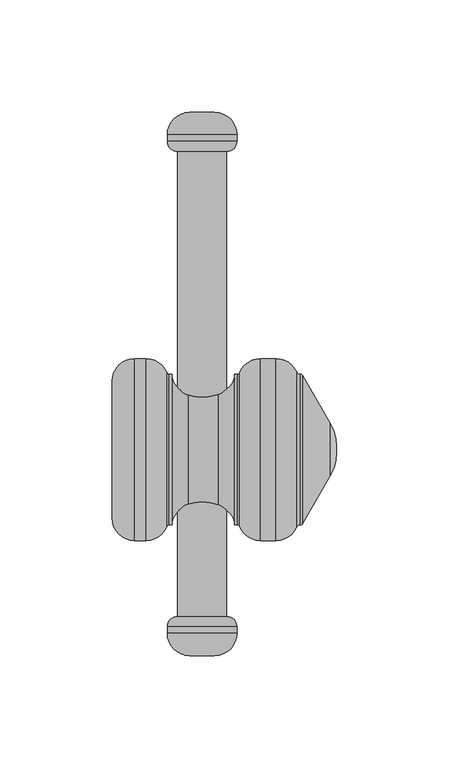
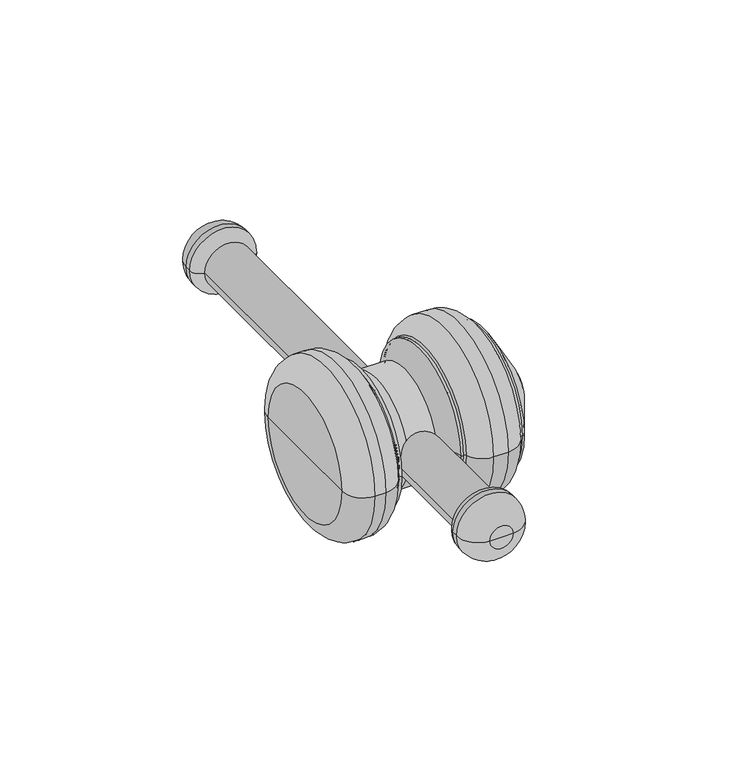
"""IFC4 building model written with IfcOpenShell, lengths in millimetres: furniture geometry."""

from ifc_helpers import new_model, si_unit, point, frame, origin, place, context, project, spatial, polyline, circle_curve, ellipse_curve, trimmed, source, transform, mapped, element, save
from ifc_brep_helpers import plane_surface, cylinder_surface, revolved_surface, advanced_brep


def furniture_befa15c4(model_context):
    return source(origin(), model_context, "Body", "AdvancedBrep", [
        advanced_brep(
        [(569.6029296, -202.5, 845.5), (580.6029296, -202.5, 845.5), (575.1029296, -202.5, 845.5), (559.6029296, -192.5, 845.5), (590.6029296, -192.5, 845.5), (559.6029296, -189.5191037, 845.5), (590.6029296, -189.5191037, 845.5), (564.1220333, -185.0, 845.5), (586.0838258, -185.0, 845.5), (564.1220333, 22.0, 845.5), (586.0838258, 22.0, 845.5), (559.6029296, 26.5191037, 845.5), (590.6029296, 26.5191037, 845.5), (559.6029296, 29.5, 845.5), (590.6029296, 29.5, 845.5), (569.6029296, 39.5, 845.5), (580.6029296, 39.5, 845.5), (575.1029296, 39.5, 845.5)],
        [
            (0, 1, circle_curve(frame((575.1029296, -202.5, 845.5), z_axis=(0.0, -1.0, 0.0), x_axis=(1.0000000000000002, 0.0, 0.0)), 5.5)),
            (1, 2),
            (2, 0),
            (1, 0, circle_curve(frame((575.1029296, -202.5, 845.5), z_axis=(0.0, -1.0, 0.0), x_axis=(1.0000000000000002, 0.0, 0.0)), 5.5)),
            (3, 4, circle_curve(frame((575.1029296, -192.5, 845.5), z_axis=(0.0, -1.0, 0.0), x_axis=(1.0000000000000002, 0.0, 0.0)), 15.5)),
            (4, 1, circle_curve(frame((580.6029296, -192.5, 845.5), z_axis=(0.0, 0.0, -1.0), x_axis=(0.0, 1.0000000000000002, 0.0)), 10.0)),
            (0, 3, circle_curve(frame((569.6029296, -192.5, 845.5), z_axis=(0.0, 0.0, -1.0), x_axis=(0.0, 1.0000000000000002, 0.0)), 10.0)),
            (4, 3, circle_curve(frame((575.1029296, -192.5, 845.5), z_axis=(0.0, -1.0, 0.0), x_axis=(1.0000000000000002, 0.0, 0.0)), 15.5)),
            (5, 6, circle_curve(frame((575.1029296, -189.5191037, 845.5), z_axis=(0.0, -1.0, 0.0), x_axis=(1.0000000000000002, 0.0, 0.0)), 15.5)),
            (6, 4),
            (3, 5),
            (6, 5, circle_curve(frame((575.1029296, -189.5191037, 845.5), z_axis=(0.0, -1.0, 0.0), x_axis=(1.0000000000000002, 0.0, 0.0)), 15.5)),
            (7, 8, circle_curve(frame((575.1029296, -185.0, 845.5), z_axis=(0.0, -1.0, 0.0), x_axis=(1.0000000000000002, 0.0, 0.0)), 10.9808963)),
            (8, 6, circle_curve(frame((586.0838258, -189.5191037, 845.5), z_axis=(0.0, 0.0, -1.0), x_axis=(0.0, 1.0000000000000002, 0.0)), 4.5191037)),
            (5, 7, circle_curve(frame((564.1220333, -189.5191037, 845.5), z_axis=(0.0, 0.0, -1.0), x_axis=(0.0, 1.0000000000000002, 0.0)), 4.5191037)),
            (8, 7, circle_curve(frame((575.1029296, -185.0, 845.5), z_axis=(0.0, -1.0, 0.0), x_axis=(1.0000000000000002, 0.0, 0.0)), 10.9808963)),
            (9, 10, circle_curve(frame((575.1029296, 22.0, 845.5), z_axis=(0.0, -1.0, 0.0), x_axis=(1.0000000000000002, 0.0, 0.0)), 10.9808963)),
            (10, 8),
            (7, 9),
            (10, 9, circle_curve(frame((575.1029296, 22.0, 845.5), z_axis=(0.0, -1.0, 0.0), x_axis=(1.0000000000000002, 0.0, 0.0)), 10.9808963)),
            (11, 12, circle_curve(frame((575.1029296, 26.5191037, 845.5), z_axis=(0.0, -1.0, 0.0), x_axis=(1.0000000000000002, 0.0, 0.0)), 15.5)),
            (12, 10, circle_curve(frame((586.0838258, 26.5191037, 845.5), z_axis=(0.0, 0.0, -1.0), x_axis=(0.0, -1.0000000000000002, 0.0)), 4.5191037)),
            (9, 11, circle_curve(frame((564.1220333, 26.5191037, 845.5), z_axis=(0.0, 0.0, -1.0), x_axis=(0.0, -1.0000000000000002, 0.0)), 4.5191037)),
            (12, 11, circle_curve(frame((575.1029296, 26.5191037, 845.5), z_axis=(0.0, -1.0, 0.0), x_axis=(1.0000000000000002, 0.0, 0.0)), 15.5)),
            (13, 14, circle_curve(frame((575.1029296, 29.5, 845.5), z_axis=(0.0, -1.0, 0.0), x_axis=(1.0000000000000002, 0.0, 0.0)), 15.5)),
            (14, 12),
            (11, 13),
            (14, 13, circle_curve(frame((575.1029296, 29.5, 845.5), z_axis=(0.0, -1.0, 0.0), x_axis=(1.0000000000000002, 0.0, 0.0)), 15.5)),
            (15, 16, circle_curve(frame((575.1029296, 39.5, 845.5), z_axis=(0.0, -1.0, 0.0), x_axis=(1.0000000000000002, 0.0, 0.0)), 5.5)),
            (16, 14, circle_curve(frame((580.6029296, 29.5, 845.5), z_axis=(0.0, 0.0, -1.0), x_axis=(0.0, -1.0000000000000002, 0.0)), 10.0)),
            (13, 15, circle_curve(frame((569.6029296, 29.5, 845.5), z_axis=(0.0, 0.0, -1.0), x_axis=(0.0, -1.0000000000000002, 0.0)), 10.0)),
            (16, 15, circle_curve(frame((575.1029296, 39.5, 845.5), z_axis=(0.0, -1.0, 0.0), x_axis=(1.0000000000000002, 0.0, 0.0)), 5.5)),
            (17, 16),
            (15, 17),
        ],
        [
            plane_surface(frame((575.1029296, -202.5, 845.5), z_axis=(0.0, -1.0, 0.0), x_axis=(1.0, 0.0, 0.0))),
            revolved_surface(trimmed(ellipse_curve(frame((580.6029296, -192.5, 845.5), z_axis=(0.0, 0.0, 1.0), x_axis=(0.0, 1.0000000000000002, 0.0)), 10.0, 10.0), [point((580.6029296, -202.5, 845.5))], [point((590.6029296, -192.5, 845.5))], True, "CARTESIAN"), (575.1029296, 39.5, 845.5), (0.0, 1.0000000000000002, 0.0)),
            cylinder_surface(frame((575.1029296, 39.5, 845.5), z_axis=(0.0, 1.0000000000000002, 0.0), x_axis=(1.0000000000000002, 0.0, 0.0)), 15.5),
            revolved_surface(trimmed(ellipse_curve(frame((586.0838258, -189.5191037, 845.5), z_axis=(0.0, 0.0, 1.0), x_axis=(0.0, 1.0000000000000002, 0.0)), 4.5191037, 4.5191037), [point((590.6029296, -189.5191037, 845.5))], [point((586.0838258, -185.0, 845.5))], True, "CARTESIAN"), (575.1029296, 39.5, 845.5), (0.0, 1.0000000000000002, 0.0)),
            cylinder_surface(frame((575.1029296, 39.5, 845.5), z_axis=(0.0, 1.0000000000000002, 0.0), x_axis=(1.0000000000000002, 0.0, 0.0)), 10.9808963),
            revolved_surface(trimmed(ellipse_curve(frame((586.0838258, 26.5191037, 845.5), z_axis=(0.0, 0.0, 1.0), x_axis=(0.0, -1.0000000000000002, 0.0)), 4.5191037, 4.5191037), [point((586.0838258, 22.0, 845.5))], [point((590.6029296, 26.5191037, 845.5))], True, "CARTESIAN"), (575.1029296, 39.5, 845.5), (0.0, 1.0000000000000002, 0.0)),
            revolved_surface(trimmed(ellipse_curve(frame((580.6029296, 29.5, 845.5), z_axis=(0.0, 0.0, 1.0), x_axis=(0.0, -1.0000000000000002, 0.0)), 10.0, 10.0), [point((590.6029296, 29.5, 845.5))], [point((580.6029296, 39.5, 845.5))], True, "CARTESIAN"), (575.1029296, 39.5, 845.5), (0.0, 1.0000000000000002, 0.0)),
            plane_surface(frame((575.1029296, 39.5, 845.5), z_axis=(0.0, 1.0, 0.0), x_axis=(1.0, 0.0, 0.0))),
        ],
        [
            (0, [[1, 2, 3]]),
            (0, [[4, -3, -2]]),
            (1, [[5, 6, -1, 7]]),
            (1, [[8, -7, -4, -6]]),
            (2, [[9, 10, -5, 11]]),
            (2, [[12, -11, -8, -10]]),
            (3, [[13, 14, -9, 15]]),
            (3, [[16, -15, -12, -14]]),
            (4, [[17, 18, -13, 19]]),
            (4, [[20, -19, -16, -18]]),
            (5, [[21, 22, -17, 23]]),
            (5, [[24, -23, -20, -22]]),
            (2, [[25, 26, -21, 27]]),
            (2, [[28, -27, -24, -26]]),
            (6, [[29, 30, -25, 31]]),
            (6, [[32, -31, -28, -30]]),
            (7, [[33, -29, 34]]),
            (7, [[-34, -32, -33]]),
        ],
    ),
        advanced_brep(
        [(618.8803966, -144.2025572, 845.5), (618.8803966, -77.2242875, 845.5), (619.893433, -77.7134223, 845.5), (619.893433, -143.7134223, 845.5), (617.2779868, -145.1028459, 845.5), (617.2779868, -76.3239987, 845.5), (608.0653659, -151.2134223, 845.5), (608.0653659, -70.2134223, 845.5), (601.1441499, -151.2134223, 845.5), (601.1441499, -70.2134223, 845.5), (591.8287401, -144.8497859, 845.5), (591.8287401, -76.5770587, 845.5), (590.8971992, -144.2134223, 845.5), (590.8971992, -77.2134223, 845.5), (589.6047579, -144.2134223, 845.5), (589.6047579, -77.2134223, 845.5), (568.9772348, -136.8409454, 845.5), (568.9772348, -84.5858992, 845.5), (582.232281, -84.5858992, 845.5), (582.232281, -136.8409454, 845.5), (561.6047579, -144.2134223, 845.5), (561.6047579, -77.2134223, 845.5), (560.3123167, -144.2134223, 845.5), (560.3123167, -77.2134223, 845.5), (559.3807757, -144.8497859, 845.5), (559.3807757, -76.5770587, 845.5), (550.0653659, -151.2134223, 845.5), (550.0653659, -70.2134223, 845.5), (544.9952421, -151.2134223, 845.5), (544.9952421, -70.2134223, 845.5), (534.9952421, -141.2134223, 845.5), (534.9952421, -80.2134223, 845.5), (534.9952421, -110.7134223, 845.5), (635.0047579, -112.180856, 845.5), (635.0047579, -109.2459886, 845.5), (635.0047579, -110.7134223, 845.5), (632.325266, -122.180856, 845.5), (632.325266, -99.2459886, 845.5)],
        [
            (0, 1, circle_curve(frame((618.8803966, -110.7134223, 845.5), z_axis=(1.0, 0.0, 0.0), x_axis=(0.0, 1.0000000000000002, 0.0)), 33.4891348)),
            (1, 2, circle_curve(frame((619.0274076, -78.2134223, 845.5), z_axis=(0.0, 0.0, -1.0), x_axis=(0.0, -1.0000000000000002, 0.0)), 1.0)),
            (2, 3, circle_curve(frame((619.893433, -110.7134223, 845.5), z_axis=(-1.0, 0.0, 0.0), x_axis=(0.0, 1.0000000000000002, 0.0)), 33.0)),
            (3, 0, circle_curve(frame((619.0274076, -143.2134223, 845.5), z_axis=(0.0, 0.0, -1.0), x_axis=(0.0, 1.0000000000000002, 0.0)), 1.0)),
            (1, 0, circle_curve(frame((618.8803966, -110.7134223, 845.5), z_axis=(1.0, 0.0, 0.0), x_axis=(0.0, 1.0000000000000002, 0.0)), 33.4891348)),
            (3, 2, circle_curve(frame((619.893433, -110.7134223, 845.5), z_axis=(-1.0, 0.0, 0.0), x_axis=(0.0, 1.0000000000000002, 0.0)), 33.0)),
            (4, 5, circle_curve(frame((617.2779868, -110.7134223, 845.5), z_axis=(1.0, 0.0, 0.0), x_axis=(0.0, 1.0000000000000002, 0.0)), 34.3894236)),
            (5, 1, circle_curve(frame((618.65988, -75.7405852, 845.5), z_axis=(0.0, 0.0, 1.0), x_axis=(0.0, -1.0000000000000002, 0.0)), 1.5)),
            (0, 4, circle_curve(frame((618.65988, -145.6862594, 845.5), z_axis=(0.0, 0.0, 1.0), x_axis=(0.0, 1.0000000000000002, 0.0)), 1.5)),
            (5, 4, circle_curve(frame((617.2779868, -110.7134223, 845.5), z_axis=(1.0, 0.0, 0.0), x_axis=(0.0, 1.0000000000000002, 0.0)), 34.3894236)),
            (6, 7, circle_curve(frame((608.0653659, -110.7134223, 845.5), z_axis=(1.0, 0.0, 0.0), x_axis=(0.0, 1.0000000000000002, 0.0)), 40.5)),
            (7, 5, circle_curve(frame((608.0653659, -80.2134223, 845.5), z_axis=(0.0, 0.0, -1.0), x_axis=(0.0, -1.0000000000000002, 0.0)), 10.0)),
            (4, 6, circle_curve(frame((608.0653659, -141.2134223, 845.5), z_axis=(0.0, 0.0, -1.0), x_axis=(0.0, 1.0000000000000002, 0.0)), 10.0)),
            (7, 6, circle_curve(frame((608.0653659, -110.7134223, 845.5), z_axis=(1.0, 0.0, 0.0), x_axis=(0.0, 1.0000000000000002, 0.0)), 40.5)),
            (8, 9, circle_curve(frame((601.1441499, -110.7134223, 845.5), z_axis=(1.0, 0.0, 0.0), x_axis=(0.0, 1.0000000000000002, 0.0)), 40.5)),
            (9, 7),
            (6, 8),
            (9, 8, circle_curve(frame((601.1441499, -110.7134223, 845.5), z_axis=(1.0, 0.0, 0.0), x_axis=(0.0, 1.0000000000000002, 0.0)), 40.5)),
            (10, 11, circle_curve(frame((591.8287401, -110.7134223, 845.5), z_axis=(1.0, 0.0, 0.0), x_axis=(0.0, 1.0000000000000002, 0.0)), 34.1363636)),
            (11, 9, circle_curve(frame((601.1441499, -80.2134223, 845.5), z_axis=(0.0, 0.0, -1.0), x_axis=(0.0, -1.0000000000000002, 0.0)), 10.0)),
            (8, 10, circle_curve(frame((601.1441499, -141.2134223, 845.5), z_axis=(0.0, 0.0, -1.0), x_axis=(0.0, 1.0000000000000002, 0.0)), 10.0)),
            (11, 10, circle_curve(frame((591.8287401, -110.7134223, 845.5), z_axis=(1.0, 0.0, 0.0), x_axis=(0.0, 1.0000000000000002, 0.0)), 34.1363636)),
            (12, 13, circle_curve(frame((590.8971992, -110.7134223, 845.5), z_axis=(1.0, 0.0, 0.0), x_axis=(0.0, 1.0000000000000002, 0.0)), 33.5)),
            (13, 11, circle_curve(frame((590.8971992, -76.2134223, 845.5), z_axis=(0.0, 0.0, 1.0), x_axis=(0.0, -1.0000000000000002, 0.0)), 1.0)),
            (10, 12, circle_curve(frame((590.8971992, -145.2134223, 845.5), z_axis=(0.0, 0.0, 1.0), x_axis=(0.0, 1.0000000000000002, 0.0)), 1.0)),
            (13, 12, circle_curve(frame((590.8971992, -110.7134223, 845.5), z_axis=(1.0, 0.0, 0.0), x_axis=(0.0, 1.0000000000000002, 0.0)), 33.5)),
            (14, 15, circle_curve(frame((589.6047579, -110.7134223, 845.5), z_axis=(1.0, 0.0, 0.0), x_axis=(0.0, 1.0000000000000002, 0.0)), 33.5)),
            (15, 13),
            (12, 14),
            (15, 14, circle_curve(frame((589.6047579, -110.7134223, 845.5), z_axis=(1.0, 0.0, 0.0), x_axis=(0.0, 1.0000000000000002, 0.0)), 33.5)),
            (16, 17, circle_curve(frame((568.9772348, -110.7134223, 845.5), z_axis=(1.0, 0.0, 0.0), x_axis=(0.0, 1.0000000000000002, 0.0)), 26.1275231)),
            (17, 18),
            (18, 19, circle_curve(frame((582.232281, -110.7134223, 845.5), z_axis=(-1.0, 0.0, 0.0), x_axis=(0.0, 1.0000000000000002, 0.0)), 26.1275231)),
            (19, 16),
            (17, 16, circle_curve(frame((568.9772348, -110.7134223, 845.5), z_axis=(1.0, 0.0, 0.0), x_axis=(0.0, 1.0000000000000002, 0.0)), 26.1275231)),
            (19, 18, circle_curve(frame((582.232281, -110.7134223, 845.5), z_axis=(-1.0, 0.0, 0.0), x_axis=(0.0, 1.0000000000000002, 0.0)), 26.1275231)),
            (20, 21, circle_curve(frame((561.6047579, -110.7134223, 845.5), z_axis=(1.0, 0.0, 0.0), x_axis=(0.0, 1.0000000000000002, 0.0)), 33.5)),
            (21, 17, circle_curve(frame((568.9772348, -77.2134223, 845.5), z_axis=(0.0, 0.0, 1.0), x_axis=(0.0, -1.0000000000000002, 0.0)), 7.3724769)),
            (16, 20, circle_curve(frame((568.9772348, -144.2134223, 845.5), z_axis=(0.0, 0.0, 1.0), x_axis=(0.0, 1.0000000000000002, 0.0)), 7.3724769)),
            (21, 20, circle_curve(frame((561.6047579, -110.7134223, 845.5), z_axis=(1.0, 0.0, 0.0), x_axis=(0.0, 1.0000000000000002, 0.0)), 33.5)),
            (22, 23, circle_curve(frame((560.3123167, -110.7134223, 845.5), z_axis=(1.0, 0.0, 0.0), x_axis=(0.0, 1.0000000000000002, 0.0)), 33.5)),
            (23, 21),
            (20, 22),
            (23, 22, circle_curve(frame((560.3123167, -110.7134223, 845.5), z_axis=(1.0, 0.0, 0.0), x_axis=(0.0, 1.0000000000000002, 0.0)), 33.5)),
            (24, 25, circle_curve(frame((559.3807757, -110.7134223, 845.5), z_axis=(1.0, 0.0, 0.0), x_axis=(0.0, 1.0000000000000002, 0.0)), 34.1363636)),
            (25, 23, circle_curve(frame((560.3123167, -76.2134223, 845.5), z_axis=(0.0, 0.0, 1.0), x_axis=(0.0, -1.0000000000000002, 0.0)), 1.0)),
            (22, 24, circle_curve(frame((560.3123167, -145.2134223, 845.5), z_axis=(0.0, 0.0, 1.0), x_axis=(0.0, 1.0000000000000002, 0.0)), 1.0)),
            (25, 24, circle_curve(frame((559.3807757, -110.7134223, 845.5), z_axis=(1.0, 0.0, 0.0), x_axis=(0.0, 1.0000000000000002, 0.0)), 34.1363636)),
            (26, 27, circle_curve(frame((550.0653659, -110.7134223, 845.5), z_axis=(1.0, 0.0, 0.0), x_axis=(0.0, 1.0000000000000002, 0.0)), 40.5)),
            (27, 25, circle_curve(frame((550.0653659, -80.2134223, 845.5), z_axis=(0.0, 0.0, -1.0), x_axis=(0.0, -1.0000000000000002, 0.0)), 10.0)),
            (24, 26, circle_curve(frame((550.0653659, -141.2134223, 845.5), z_axis=(0.0, 0.0, -1.0), x_axis=(0.0, 1.0000000000000002, 0.0)), 10.0)),
            (27, 26, circle_curve(frame((550.0653659, -110.7134223, 845.5), z_axis=(1.0, 0.0, 0.0), x_axis=(0.0, 1.0000000000000002, 0.0)), 40.5)),
            (28, 29, circle_curve(frame((544.9952421, -110.7134223, 845.5), z_axis=(1.0, 0.0, 0.0), x_axis=(0.0, 1.0000000000000002, 0.0)), 40.5)),
            (29, 27),
            (26, 28),
            (29, 28, circle_curve(frame((544.9952421, -110.7134223, 845.5), z_axis=(1.0, 0.0, 0.0), x_axis=(0.0, 1.0000000000000002, 0.0)), 40.5)),
            (30, 31, circle_curve(frame((534.9952421, -110.7134223, 845.5), z_axis=(1.0, 0.0, 0.0), x_axis=(0.0, 1.0000000000000002, 0.0)), 30.5)),
            (31, 29, circle_curve(frame((544.9952421, -80.2134223, 845.5), z_axis=(0.0, 0.0, -1.0), x_axis=(0.0, -1.0000000000000002, 0.0)), 10.0)),
            (28, 30, circle_curve(frame((544.9952421, -141.2134223, 845.5), z_axis=(0.0, 0.0, -1.0), x_axis=(0.0, 1.0000000000000002, 0.0)), 10.0)),
            (31, 30, circle_curve(frame((534.9952421, -110.7134223, 845.5), z_axis=(1.0, 0.0, 0.0), x_axis=(0.0, 1.0000000000000002, 0.0)), 30.5)),
            (32, 31),
            (30, 32),
            (33, 34, circle_curve(frame((635.0047579, -110.7134223, 845.5), z_axis=(1.0, 0.0, 0.0), x_axis=(0.0, 1.0000000000000002, 0.0)), 1.4674337)),
            (34, 35),
            (35, 33),
            (34, 33, circle_curve(frame((635.0047579, -110.7134223, 845.5), z_axis=(1.0, 0.0, 0.0), x_axis=(0.0, 1.0000000000000002, 0.0)), 1.4674337)),
            (36, 37, circle_curve(frame((632.325266, -110.7134223, 845.5), z_axis=(1.0, 0.0, 0.0), x_axis=(0.0, 1.0000000000000002, 0.0)), 11.4674337)),
            (37, 34, circle_curve(frame((615.0047579, -109.2459886, 845.5), z_axis=(0.0, 0.0, -1.0), x_axis=(0.0, -1.0000000000000002, 0.0)), 20.0)),
            (33, 36, circle_curve(frame((615.0047579, -112.180856, 845.5), z_axis=(0.0, 0.0, -1.0), x_axis=(0.0, 1.0000000000000002, 0.0)), 20.0)),
            (37, 36, circle_curve(frame((632.325266, -110.7134223, 845.5), z_axis=(1.0, 0.0, 0.0), x_axis=(0.0, 1.0000000000000002, 0.0)), 11.4674337)),
            (2, 37),
            (36, 3),
            (18, 15, circle_curve(frame((582.232281, -77.2134223, 845.5), z_axis=(0.0, 0.0, 1.0), x_axis=(0.0, -1.0000000000000002, 0.0)), 7.3724769)),
            (14, 19, circle_curve(frame((582.232281, -144.2134223, 845.5), z_axis=(0.0, 0.0, 1.0), x_axis=(0.0, 1.0000000000000002, 0.0)), 7.3724769)),
        ],
        [
            revolved_surface(trimmed(ellipse_curve(frame((619.0274076, -78.2134223, 845.5), z_axis=(0.0, 0.0, 1.0), x_axis=(0.0, -1.0000000000000002, 0.0)), 1.0, 1.0), [point((619.893433, -77.7134223, 845.5))], [point((618.8803966, -77.2242875, 845.5))], True, "CARTESIAN"), (533.6047579, -110.7134223, 845.5), (-1.0000000000000002, 0.0, 0.0)),
            revolved_surface(trimmed(ellipse_curve(frame((618.65988, -75.7405852, 845.5), z_axis=(0.0, 0.0, -1.0), x_axis=(0.0, -1.0000000000000002, 0.0)), 1.5, 1.5), [point((618.8803966, -77.2242875, 845.5))], [point((617.2779868, -76.3239987, 845.5))], True, "CARTESIAN"), (533.6047579, -110.7134223, 845.5), (-1.0000000000000002, 0.0, 0.0)),
            revolved_surface(trimmed(ellipse_curve(frame((608.0653659, -80.2134223, 845.5), z_axis=(0.0, 0.0, 1.0), x_axis=(0.0, -1.0000000000000002, 0.0)), 10.0, 10.0), [point((617.2779868, -76.3239987, 845.5))], [point((608.0653659, -70.2134223, 845.5))], True, "CARTESIAN"), (533.6047579, -110.7134223, 845.5), (-1.0000000000000002, 0.0, 0.0)),
            cylinder_surface(frame((533.6047579, -110.7134223, 845.5), z_axis=(-1.0000000000000002, 0.0, 0.0), x_axis=(0.0, 1.0000000000000002, 0.0)), 40.5),
            revolved_surface(trimmed(ellipse_curve(frame((601.1441499, -80.2134223, 845.5), z_axis=(0.0, 0.0, 1.0), x_axis=(0.0, -1.0000000000000002, 0.0)), 10.0, 10.0), [point((601.1441499, -70.2134223, 845.5))], [point((591.8287401, -76.5770587, 845.5))], True, "CARTESIAN"), (533.6047579, -110.7134223, 845.5), (-1.0000000000000002, 0.0, 0.0)),
            revolved_surface(trimmed(ellipse_curve(frame((590.8971992, -76.2134223, 845.5), z_axis=(0.0, 0.0, -1.0), x_axis=(0.0, -1.0000000000000002, 0.0)), 1.0, 1.0), [point((591.8287401, -76.5770587, 845.5))], [point((590.8971992, -77.2134223, 845.5))], True, "CARTESIAN"), (533.6047579, -110.7134223, 845.5), (-1.0000000000000002, 0.0, 0.0)),
            cylinder_surface(frame((533.6047579, -110.7134223, 845.5), z_axis=(-1.0000000000000002, 0.0, 0.0), x_axis=(0.0, 1.0000000000000002, 0.0)), 33.5),
            cylinder_surface(frame((533.6047579, -110.7134223, 845.5), z_axis=(-1.0000000000000002, 0.0, 0.0), x_axis=(0.0, 1.0000000000000002, 0.0)), 26.1275231),
            revolved_surface(trimmed(ellipse_curve(frame((568.9772348, -77.2134223, 845.5), z_axis=(0.0, 0.0, -1.0), x_axis=(0.0, -1.0000000000000002, 0.0)), 7.3724769, 7.3724769), [point((568.9772348, -84.5858992, 845.5))], [point((561.6047579, -77.2134223, 845.5))], True, "CARTESIAN"), (533.6047579, -110.7134223, 845.5), (-1.0000000000000002, 0.0, 0.0)),
            revolved_surface(trimmed(ellipse_curve(frame((560.3123167, -76.2134223, 845.5), z_axis=(0.0, 0.0, -1.0), x_axis=(0.0, -1.0000000000000002, 0.0)), 1.0, 1.0), [point((560.3123167, -77.2134223, 845.5))], [point((559.3807757, -76.5770587, 845.5))], True, "CARTESIAN"), (533.6047579, -110.7134223, 845.5), (-1.0000000000000002, 0.0, 0.0)),
            revolved_surface(trimmed(ellipse_curve(frame((550.0653659, -80.2134223, 845.5), z_axis=(0.0, 0.0, 1.0), x_axis=(0.0, -1.0000000000000002, 0.0)), 10.0, 10.0), [point((559.3807757, -76.5770587, 845.5))], [point((550.0653659, -70.2134223, 845.5))], True, "CARTESIAN"), (533.6047579, -110.7134223, 845.5), (-1.0000000000000002, 0.0, 0.0)),
            revolved_surface(trimmed(ellipse_curve(frame((544.9952421, -80.2134223, 845.5), z_axis=(0.0, 0.0, 1.0), x_axis=(0.0, -1.0000000000000002, 0.0)), 10.0, 10.0), [point((544.9952421, -70.2134223, 845.5))], [point((534.9952421, -80.2134223, 845.5))], True, "CARTESIAN"), (533.6047579, -110.7134223, 845.5), (-1.0000000000000002, 0.0, 0.0)),
            plane_surface(frame((534.9952421, -110.7134223, 845.5), z_axis=(-1.0, 0.0, 0.0), x_axis=(0.0, 1.0, 0.0))),
            plane_surface(frame((635.0047579, -110.7134223, 845.5), z_axis=(1.0, 0.0, 0.0), x_axis=(0.0, 1.0, 0.0))),
            revolved_surface(trimmed(ellipse_curve(frame((615.0047579, -109.2459886, 845.5), z_axis=(0.0, 0.0, 1.0), x_axis=(0.0, -1.0000000000000002, 0.0)), 20.0, 20.0), [point((635.0047579, -109.2459886, 845.5))], [point((632.325266, -99.2459886, 845.5))], True, "CARTESIAN"), (533.6047579, -110.7134223, 845.5), (-1.0000000000000002, 0.0, 0.0)),
            revolved_surface(polyline([(632.325266, -99.2459886, 845.5), (619.893433, -77.7134223, 845.5)]), (533.6047579, -110.7134223, 845.5), (-1.0000000000000002, 0.0, 0.0)),
            revolved_surface(trimmed(ellipse_curve(frame((582.232281, -77.2134223, 845.5), z_axis=(0.0, 0.0, -1.0), x_axis=(0.0, -1.0000000000000002, 0.0)), 7.3724769, 7.3724769), [point((589.6047579, -77.2134223, 845.5))], [point((582.232281, -84.5858992, 845.5))], True, "CARTESIAN"), (533.6047579, -110.7134223, 845.5), (-1.0000000000000002, 0.0, 0.0)),
        ],
        [
            (0, [[1, 2, 3, 4]]),
            (0, [[5, -4, 6, -2]]),
            (1, [[7, 8, -1, 9]]),
            (1, [[10, -9, -5, -8]]),
            (2, [[11, 12, -7, 13]]),
            (2, [[14, -13, -10, -12]]),
            (3, [[15, 16, -11, 17]]),
            (3, [[18, -17, -14, -16]]),
            (4, [[19, 20, -15, 21]]),
            (4, [[22, -21, -18, -20]]),
            (5, [[23, 24, -19, 25]]),
            (5, [[26, -25, -22, -24]]),
            (6, [[27, 28, -23, 29]]),
            (6, [[30, -29, -26, -28]]),
            (7, [[31, 32, 33, 34]]),
            (7, [[35, -34, 36, -32]]),
            (8, [[37, 38, -31, 39]]),
            (8, [[40, -39, -35, -38]]),
            (6, [[41, 42, -37, 43]]),
            (6, [[44, -43, -40, -42]]),
            (9, [[45, 46, -41, 47]]),
            (9, [[48, -47, -44, -46]]),
            (10, [[49, 50, -45, 51]]),
            (10, [[52, -51, -48, -50]]),
            (3, [[53, 54, -49, 55]]),
            (3, [[56, -55, -52, -54]]),
            (11, [[57, 58, -53, 59]]),
            (11, [[60, -59, -56, -58]]),
            (12, [[61, -57, 62]]),
            (12, [[-62, -60, -61]]),
            (13, [[63, 64, 65]]),
            (13, [[66, -65, -64]]),
            (14, [[67, 68, -63, 69]]),
            (14, [[70, -69, -66, -68]]),
            (15, [[-3, 71, -67, 72]]),
            (15, [[-6, -72, -70, -71]]),
            (16, [[-33, 73, -27, 74]]),
            (16, [[-36, -74, -30, -73]]),
        ],
    ),
    ])


if __name__ == "__main__":
    model = new_model("IFC4")
    model_context = context("Model", 3, world=origin())
    ifc_project = project(units=[si_unit("LENGTHUNIT", "METRE", prefix="MILLI")], contexts=[model_context])
    site = spatial("IfcSite", under=ifc_project)
    building = spatial("IfcBuilding", under=site)
    placement = place(None, origin())
    furniture_shape = furniture_befa15c4(model_context)
    element("IfcFurniture", 1, at=placement, inside=building, context=model_context, shape_type="MappedRepresentation", body=[
        mapped(furniture_shape, transform((0.0, 0.0, 0.0), x_axis=(1.0, 0.0, 0.0), y_axis=(0.0, 1.0, 0.0), z_axis=(0.0, 0.0, 1.0))),
    ])
    save(model, "model.ifc")
